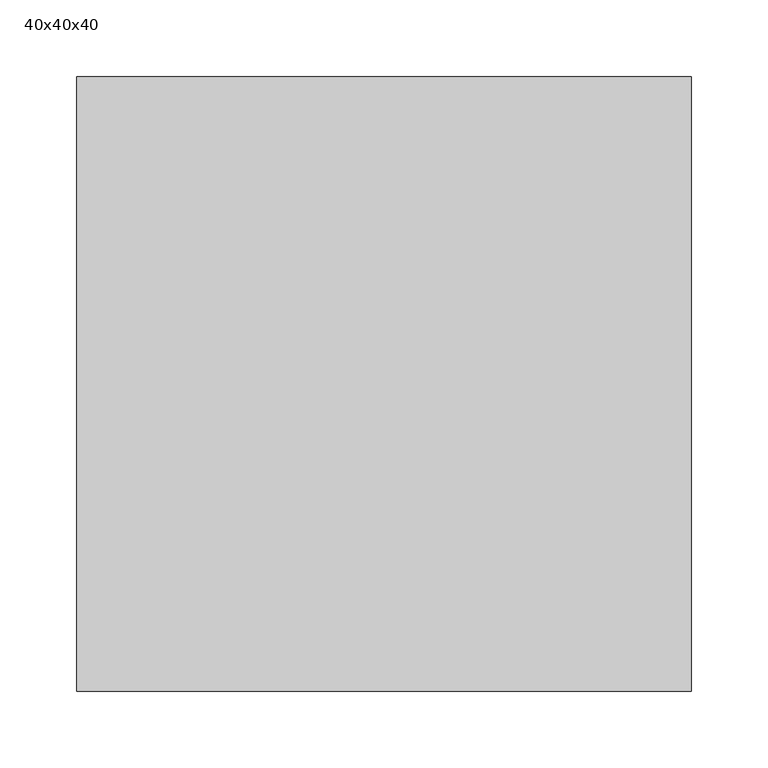
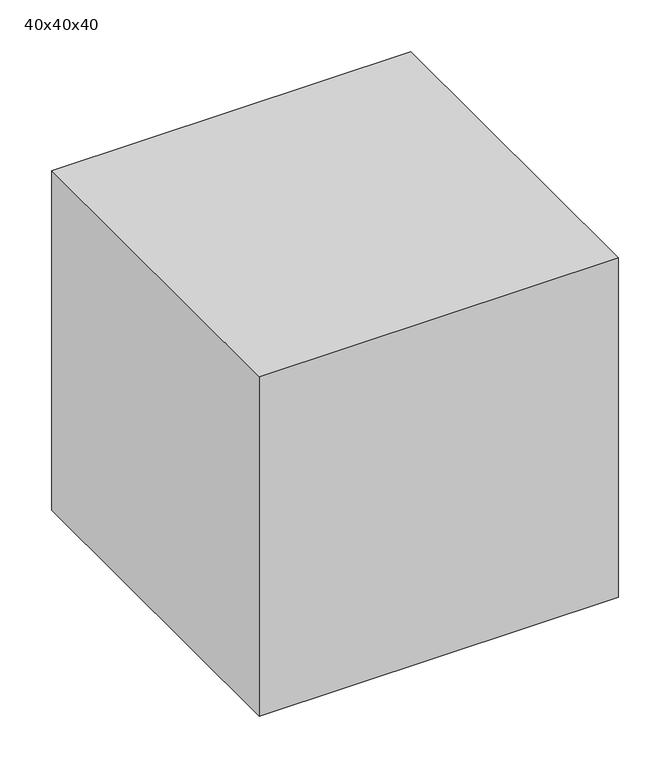
"""IFC4 building model written with IfcOpenShell, lengths in millimetres: proxy geometry, 40x40x40."""

from ifc_helpers import new_model, si_unit, origin, origin_with_axes, place, context, project, spatial, polyline, outline, extrude, source, transform, mapped, element, save


def proxy_40x40x40_431d6c6c(model_context):
    return source(origin(), model_context, "Body", "SweptSolid", [
        extrude(outline(polyline([(400.0, 400.0), (400.0, 0.0), (0.0, 0.0), (0.0, 400.0), (400.0, 400.0)])), origin_with_axes(), (0.0, 0.0, 1.0), 400.0),
    ])


if __name__ == "__main__":
    model = new_model("IFC4")
    model_context = context("Model", 3, world=origin())
    ifc_project = project(units=[si_unit("LENGTHUNIT", "METRE", prefix="MILLI")], contexts=[model_context])
    site = spatial("IfcSite", under=ifc_project)
    building = spatial("IfcBuilding", under=site)
    placement = place(None, origin())
    proxy_40x40x40_shape = proxy_40x40x40_431d6c6c(model_context)
    element("IfcBuildingElementProxy", 1, Name="40x40x40", ObjectType="40x40x40", at=placement, inside=building, context=model_context, shape_type="MappedRepresentation", body=[
        mapped(proxy_40x40x40_shape, transform((0.0, 0.0, 0.0), x_axis=(1.0, 0.0, 0.0), y_axis=(0.0, 1.0, 0.0), z_axis=(0.0, 0.0, 1.0))),
    ])
    save(model, "model.ifc")
